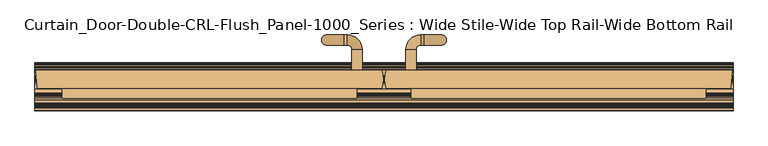
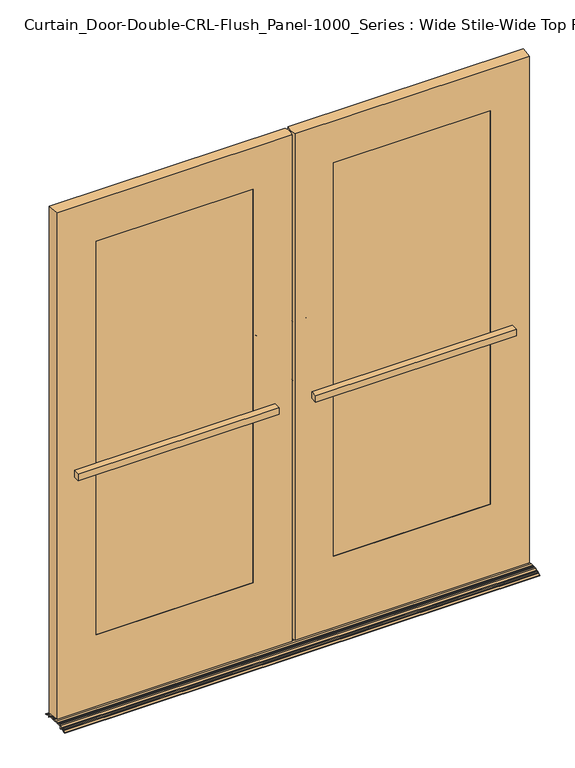
"""IFC4 building model written with IfcOpenShell, lengths in millimetres: door geometry, Curtain_Door-Double-CRL-Flush_Panel-1000_Series : Wide Stile-Wide Top Rail-Wide Bottom Rail."""

import ifcopenshell
import ifcopenshell.guid

model = None  # the IFC model being written
_history = None  # IfcOwnerHistory: only IFC2X3 demands one
_inside = {}  # id of a spatial element -> (the spatial element, [elements in it])
_under = {}  # id of a project, library or spatial element -> (it, [spatial elements below it])
_declared = {}  # id of a project -> (the project, [libraries it declares])
_typed = {}  # id of a type object -> (the type object, [elements of that type])
_made_of = {}  # id of a material, layer set ... -> (it, [elements and type objects made of it])


def new_model(schema):
    """Start an empty IFC model of exactly this schema.

    Asked for "IFC4X3", IfcOpenShell would pick the latest addendum, in which some entities
    have other attributes; the version numbers below select the first issue.
    IFC2X3 requires an IfcOwnerHistory on every rooted entity: one is made here for all.
    """
    global model, _history
    if schema == "IFC4X3":
        model = ifcopenshell.file(schema_version=(4, 3, 0, 0))
    else:
        model = ifcopenshell.file(schema=schema)
    _inside.clear()
    _under.clear()
    _declared.clear()
    _typed.clear()
    _made_of.clear()
    _history = None
    if model.schema == "IFC2X3":
        org = make("IfcOrganization", Name="unknown")
        user = make(
            "IfcPersonAndOrganization",
            ThePerson=make("IfcPerson", FamilyName="unknown"),
            TheOrganization=org,
        )
        app = make(
            "IfcApplication",
            ApplicationDeveloper=org,
            Version="unknown",
            ApplicationFullName="unknown",
            ApplicationIdentifier="unknown",
        )
        _history = make(
            "IfcOwnerHistory",
            OwningUser=user,
            OwningApplication=app,
            ChangeAction="ADDED",
            CreationDate=0,
        )
    return model


def make(cls, **values):
    """One entity of the class cls with the attributes given. An attribute that is None is left unset."""
    return model.create_entity(
        cls, **{name: value for name, value in values.items() if value is not None}
    )


def rooted(cls, **values):
    """An entity with a GlobalId (a new one), such as an element, a storey or a relation."""
    return make(cls, GlobalId=ifcopenshell.guid.new(), OwnerHistory=_history, **values)


def si_unit(unit_type, name, prefix=None):
    """IfcSIUnit, for example si_unit("LENGTHUNIT", "METRE", prefix="MILLI")."""
    return make("IfcSIUnit", UnitType=unit_type, Prefix=prefix, Name=name)


def assignment(units):
    """IfcUnitAssignment: the units of a project."""
    return None if units is None else make("IfcUnitAssignment", Units=units)


def point(xyz):
    """IfcCartesianPoint."""
    return None if xyz is None else make("IfcCartesianPoint", Coordinates=xyz)


def direction(xyz):
    """IfcDirection."""
    return None if xyz is None else make("IfcDirection", DirectionRatios=xyz)


def frame(location, z_axis=None, x_axis=None):
    """IfcAxis2Placement3D, a coordinate frame: its origin and axes. An axis left out is left unset."""
    return make(
        "IfcAxis2Placement3D",
        Location=point(location),
        Axis=direction(z_axis),
        RefDirection=direction(x_axis),
    )


def frame_2d(location, x_axis=None):
    """IfcAxis2Placement2D, a coordinate frame in the plane: its origin and x axis."""
    return make(
        "IfcAxis2Placement2D", Location=point(location), RefDirection=direction(x_axis)
    )


def origin():
    """The frame at (0, 0, 0) with its axes left unset."""
    return frame((0.0, 0.0, 0.0))


def place(relative_to, where):
    """IfcLocalPlacement: puts the frame where relative to a parent placement (None: the world)."""
    return make(
        "IfcLocalPlacement", PlacementRelTo=relative_to, RelativePlacement=where
    )


def context(
    kind, dimensions, precision=None, world=None, true_north=None, identifier=None
):
    """IfcGeometricRepresentationContext, for example the 3D "Model" context."""
    return make(
        "IfcGeometricRepresentationContext",
        ContextIdentifier=identifier,
        ContextType=kind,
        CoordinateSpaceDimension=dimensions,
        Precision=precision,
        WorldCoordinateSystem=world,
        TrueNorth=true_north,
    )


def project(units=None, contexts=None):
    """IfcProject with its units and contexts."""
    return rooted(
        "IfcProject",
        Name="project",
        RepresentationContexts=contexts,
        UnitsInContext=assignment(units),
    )


def spatial(cls, under=None, at=None, **own):
    """A site, building, storey or space (cls), placed at a placement, below another one or the project."""
    s = rooted(cls, ObjectPlacement=at, **own)
    if under is not None:
        _under.setdefault(under.id(), (under, []))[1].append(s)
    return s


def polyline(points):
    """IfcPolyline through the points."""
    return make("IfcPolyline", Points=[point(p) for p in points])


def circle_curve(where, radius):
    """IfcCircle in the frame where."""
    return make("IfcCircle", Position=where, Radius=radius)


def ellipse_curve(where, semi_axis1, semi_axis2):
    """IfcEllipse in the frame where."""
    return make(
        "IfcEllipse", Position=where, SemiAxis1=semi_axis1, SemiAxis2=semi_axis2
    )


def trimmed(basis, trim1, trim2, sense, master):
    """IfcTrimmedCurve: the piece of a basis curve between two trims."""
    return make(
        "IfcTrimmedCurve",
        BasisCurve=basis,
        Trim1=trim1,
        Trim2=trim2,
        SenseAgreement=sense,
        MasterRepresentation=master,
    )


def segment(curve, same_sense, transition):
    """IfcCompositeCurveSegment."""
    return make(
        "IfcCompositeCurveSegment",
        Transition=transition,
        SameSense=same_sense,
        ParentCurve=curve,
    )


def composite_curve(segments, self_intersect=None):
    """IfcCompositeCurve: segments joined end to end."""
    return make("IfcCompositeCurve", Segments=segments, SelfIntersect=self_intersect)


def outline(outer, holes=None, kind="AREA"):
    """IfcArbitraryClosedProfileDef: a profile drawn as a closed curve; with holes, ...WithVoids."""
    if holes is None:
        return make("IfcArbitraryClosedProfileDef", ProfileType=kind, OuterCurve=outer)
    return make(
        "IfcArbitraryProfileDefWithVoids",
        ProfileType=kind,
        OuterCurve=outer,
        InnerCurves=holes,
    )


def extrude(swept, where, along, depth):
    """IfcExtrudedAreaSolid: the profile swept, set in the frame where, extruded along a direction by depth."""
    return make(
        "IfcExtrudedAreaSolid",
        SweptArea=swept,
        Position=where,
        ExtrudedDirection=direction(along),
        Depth=depth,
    )


def shape(context_of_items, identifier, shape_type, items):
    """IfcShapeRepresentation: the items that make up one representation, for example the "Body"."""
    return make(
        "IfcShapeRepresentation",
        ContextOfItems=context_of_items,
        RepresentationIdentifier=identifier,
        RepresentationType=shape_type,
        Items=items,
    )


def source(mapping_origin, context_of_items, identifier, shape_type, items):
    """IfcRepresentationMap: a shape defined once, which mapped items show again and again."""
    return make(
        "IfcRepresentationMap",
        MappingOrigin=mapping_origin,
        MappedRepresentation=shape(context_of_items, identifier, shape_type, items),
    )


def transform(
    local_origin,
    x_axis=None,
    y_axis=None,
    z_axis=None,
    scale=None,
    scale2=None,
    scale3=None,
    uniform=True,
):
    """IfcCartesianTransformationOperator3D, or its non-uniform kind. x_axis, y_axis, z_axis: its Axis1, 2, 3."""
    if uniform:
        return make(
            "IfcCartesianTransformationOperator3D",
            Axis1=direction(x_axis),
            Axis2=direction(y_axis),
            LocalOrigin=point(local_origin),
            Scale=scale,
            Axis3=direction(z_axis),
        )
    return make(
        "IfcCartesianTransformationOperator3DnonUniform",
        Axis1=direction(x_axis),
        Axis2=direction(y_axis),
        LocalOrigin=point(local_origin),
        Scale=scale,
        Axis3=direction(z_axis),
        Scale2=scale2,
        Scale3=scale3,
    )


def mapped(mapping_source, mapping_target):
    """IfcMappedItem: shows the shape of a source again, moved by a transform."""
    return make(
        "IfcMappedItem", MappingSource=mapping_source, MappingTarget=mapping_target
    )


def made_of(thing, what):
    """Note that an element or type object is made of a material, layer set ...; save() writes the relation."""
    if what is not None:
        _made_of.setdefault(what.id(), (what, []))[1].append(thing)
    return thing


def element(
    cls,
    number,
    at=None,
    inside=None,
    cuts=None,
    type_object=None,
    material=None,
    context=None,
    identifier="Body",
    shape_type=None,
    held_by="IfcProductDefinitionShape",
    body=None,
    shapes=None,
    **own,
):
    """One element of the class cls, such as IfcWall. Its Tag is "e" and its number.

    at: its placement. inside: the storey or other place that contains it. cuts: it is an
    opening in that element (IfcRelVoidsElement). A single representation is given by context,
    identifier, shape_type and body (its items); several are given by shapes. held_by: the class
    of the entity that holds the representations. save() writes the other relations.
    """
    e = rooted(cls, Tag="e%d" % number, ObjectPlacement=at, **own)
    if body is not None:
        shapes = [shape(context, identifier, shape_type, body)]
    if shapes is not None:
        e.Representation = make(held_by, Representations=shapes)
    if inside is not None:
        _inside.setdefault(inside.id(), (inside, []))[1].append(e)
    if cuts is not None:
        rooted(
            "IfcRelVoidsElement", RelatingBuildingElement=cuts, RelatedOpeningElement=e
        )
    if type_object is not None:
        _typed.setdefault(type_object.id(), (type_object, []))[1].append(e)
    return made_of(e, material)


def aggregate(whole, parts):
    """IfcRelAggregates: a whole, such as a stair, and the parts it consists of."""
    return rooted("IfcRelAggregates", RelatingObject=whole, RelatedObjects=parts)


def save(model, path):
    """Write the relations noted so far, then the file.

    IfcRelAggregates (storeys below a building ...), IfcRelContainedInSpatialStructure (elements
    in a storey), IfcRelDefinesByType, IfcRelAssociatesMaterial and IfcRelDeclares: one each for
    every whole, place, type object, material and project.
    """
    for whole, parts in _under.values():
        aggregate(whole, parts)
    for where, things in _inside.values():
        rooted(
            "IfcRelContainedInSpatialStructure",
            RelatedElements=things,
            RelatingStructure=where,
        )
    for kind, things in _typed.values():
        rooted("IfcRelDefinesByType", RelatedObjects=things, RelatingType=kind)
    for what, things in _made_of.values():
        rooted("IfcRelAssociatesMaterial", RelatedObjects=things, RelatingMaterial=what)
    for by, libraries in _declared.values():
        rooted("IfcRelDeclares", RelatingContext=by, RelatedDefinitions=libraries)
    model.write(path)


def plane_surface(at):
    """IfcPlane: the flat surface through the origin of the frame at, square to its z axis."""
    return make("IfcPlane", Position=at)


def cylinder_surface(at, radius):
    """IfcCylindricalSurface: all points at the distance radius from the z axis of the frame at."""
    return make("IfcCylindricalSurface", Position=at, Radius=radius)


def revolved_surface(curve, axis_point, axis_direction):
    """IfcSurfaceOfRevolution: the curve turned about the line through axis_point along axis_direction."""
    return make(
        "IfcSurfaceOfRevolution",
        SweptCurve=make("IfcArbitraryOpenProfileDef", ProfileType="CURVE", Curve=curve),
        AxisPosition=make("IfcAxis1Placement", Location=point(axis_point), Axis=direction(axis_direction)),
    )


def advanced_brep(points, edges, surfaces, faces):
    """IfcAdvancedBrep: a solid bounded by faces that lie on surfaces and meet in shared edges.

    An edge is (start, end): straight between two places in points (the first is 0);
    or (start, end, curve); or (start, end, curve, False) where it runs against its curve.
    A face is (place in surfaces, loops), or (place, loops, False) where it looks against
    its surface's normal. A loop lists edges by number (the first is 1), with a minus sign
    where the edge is run from its end to its start. The first loop is the outer one.
    """
    corners = [point(p) for p in points]
    vertices = [make("IfcVertexPoint", VertexGeometry=c) for c in corners]
    made = []
    for start, end, *more in edges:
        made.append(
            make(
                "IfcEdgeCurve",
                EdgeStart=vertices[start],
                EdgeEnd=vertices[end],
                EdgeGeometry=more[0] if more else make("IfcPolyline", Points=[corners[start], corners[end]]),
                SameSense=more[1] if len(more) > 1 else True,
            )
        )
    hull = []
    for where, loops, *sense in faces:
        bounds = []
        for j, loop in enumerate(loops):
            ring = [make("IfcOrientedEdge", EdgeElement=made[abs(k) - 1], Orientation=k > 0) for k in loop]
            bounds.append(
                make(
                    "IfcFaceOuterBound" if j == 0 else "IfcFaceBound",
                    Bound=make("IfcEdgeLoop", EdgeList=ring),
                    Orientation=True,
                )
            )
        hull.append(make("IfcAdvancedFace", Bounds=bounds, FaceSurface=surfaces[where], SameSense=sense[0] if sense else True))
    return make("IfcAdvancedBrep", Outer=make("IfcClosedShell", CfsFaces=hull))


def curtain_door_double_crl_flush_panel_1000_series_wide_stile_d5079c85(model_context):
    return source(origin(), model_context, "Body", "SolidModel", [
        advanced_brep(
        [(-55.1657453, 57.15, 1181.1), (-80.5655047, 57.15, 1181.1), (-55.1657453, 57.15, 952.5), (-80.5655047, 57.15, 952.5), (-80.5655047, 109.4147494, 1181.1), (-55.1657453, 109.4147494, 1181.1), (-91.8009959, 120.6502407, 1181.1), (-91.8009959, 146.05, 1181.1), (-99.6157453, 120.6502407, 1181.1), (-99.6157453, 146.05, 1181.1), (-144.0657453, 120.6502407, 1136.65), (-144.0657453, 146.05, 1136.65), (-144.0657453, 120.6502407, 996.95), (-144.0657453, 146.05, 996.95), (-99.6157453, 120.6502407, 952.5), (-99.6157453, 146.05, 952.5), (-91.8009959, 120.6502407, 952.5), (-91.8009959, 146.05, 952.5), (-80.5655047, 109.4147494, 952.5), (-55.1657453, 109.4147494, 952.5)],
        [
            (0, 1, circle_curve(frame((-67.865625, 57.15, 1181.1), z_axis=(0.0, -1.0, 0.0), x_axis=(1.0, 0.0, 0.0)), 12.6998797)),
            (1, 0, circle_curve(frame((-67.865625, 57.15, 1181.1), z_axis=(0.0, -1.0, 0.0), x_axis=(1.0, 0.0, 0.0)), 12.6998797)),
            (2, 3, circle_curve(frame((-67.865625, 57.15, 952.5), z_axis=(0.0, -1.0, 0.0), x_axis=(1.0, 0.0, 0.0)), 12.6998797)),
            (3, 2, circle_curve(frame((-67.865625, 57.15, 952.5), z_axis=(0.0, -1.0, 0.0), x_axis=(1.0, 0.0, 0.0)), 12.6998797)),
            (1, 4),
            (4, 5, circle_curve(frame((-67.865625, 109.4147494, 1181.1), z_axis=(0.0, -1.0, 0.0), x_axis=(1.0, 0.0, 0.0)), 12.6998797)),
            (5, 0),
            (5, 4, circle_curve(frame((-67.865625, 109.4147494, 1181.1), z_axis=(0.0, -1.0, 0.0), x_axis=(1.0, 0.0, 0.0)), 12.6998797)),
            (6, 7, circle_curve(frame((-91.8009959, 133.3501203, 1181.1), z_axis=(1.0, 0.0, 0.0), x_axis=(0.0, 1.0, 0.0)), 12.6998797)),
            (7, 5, circle_curve(frame((-91.8009959, 109.4147494, 1181.1), z_axis=(0.0, 0.0, -1.0), x_axis=(1.0, 0.0, 0.0)), 36.6352506)),
            (4, 6, circle_curve(frame((-91.8009959, 109.4147494, 1181.1), z_axis=(0.0, 0.0, 1.0), x_axis=(1.0, 0.0, 0.0)), 11.2354913)),
            (7, 6, circle_curve(frame((-91.8009959, 133.3501203, 1181.1), z_axis=(1.0, 0.0, 0.0), x_axis=(0.0, 1.0, 0.0)), 12.6998797)),
            (6, 8),
            (8, 9, circle_curve(frame((-99.6157453, 133.3501203, 1181.1), z_axis=(1.0, 0.0, 0.0), x_axis=(0.0, 1.0, 0.0)), 12.6998797)),
            (9, 7),
            (9, 8, circle_curve(frame((-99.6157453, 133.3501203, 1181.1), z_axis=(1.0, 0.0, 0.0), x_axis=(0.0, 1.0, 0.0)), 12.6998797)),
            (10, 11, circle_curve(frame((-144.0657453, 133.3501203, 1136.65), z_axis=(0.0, 0.0, 1.0), x_axis=(0.0, 1.0, 0.0)), 12.6998797)),
            (11, 9, circle_curve(frame((-99.6157453, 146.05, 1136.65), z_axis=(0.0, 1.0, 0.0), x_axis=(0.0, 0.0, 1.0)), 44.45)),
            (8, 10, circle_curve(frame((-99.6157453, 120.6502407, 1136.65), z_axis=(0.0, -1.0, 0.0), x_axis=(0.0, 0.0, 1.0)), 44.45)),
            (11, 10, circle_curve(frame((-144.0657453, 133.3501203, 1136.65), z_axis=(0.0, 0.0, 1.0), x_axis=(0.0, 1.0, 0.0)), 12.6998797)),
            (10, 12),
            (12, 13, circle_curve(frame((-144.0657453, 133.3501203, 996.95), z_axis=(0.0, 0.0, 1.0), x_axis=(0.0, 1.0, 0.0)), 12.6998797)),
            (13, 11),
            (13, 12, circle_curve(frame((-144.0657453, 133.3501203, 996.95), z_axis=(0.0, 0.0, 1.0), x_axis=(0.0, 1.0, 0.0)), 12.6998797)),
            (14, 15, circle_curve(frame((-99.6157453, 133.3501203, 952.5), z_axis=(-1.0, 0.0, 0.0), x_axis=(0.0, 1.0, 0.0)), 12.6998797)),
            (15, 13, circle_curve(frame((-99.6157453, 146.05, 996.95), z_axis=(0.0, 1.0, 0.0), x_axis=(-1.0, 0.0, 0.0)), 44.45)),
            (12, 14, circle_curve(frame((-99.6157453, 120.6502407, 996.95), z_axis=(0.0, -1.0, 0.0), x_axis=(-1.0, 0.0, 0.0)), 44.45)),
            (15, 14, circle_curve(frame((-99.6157453, 133.3501203, 952.5), z_axis=(-1.0, 0.0, 0.0), x_axis=(0.0, 1.0, 0.0)), 12.6998797)),
            (14, 16),
            (16, 17, circle_curve(frame((-91.8009959, 133.3501203, 952.5), z_axis=(-1.0, 0.0, 0.0), x_axis=(0.0, 1.0, 0.0)), 12.6998797)),
            (17, 15),
            (17, 16, circle_curve(frame((-91.8009959, 133.3501203, 952.5), z_axis=(-1.0, 0.0, 0.0), x_axis=(0.0, 1.0, 0.0)), 12.6998797)),
            (18, 19, circle_curve(frame((-67.865625, 109.4147494, 952.5), z_axis=(0.0, 1.0, 0.0), x_axis=(1.0, 0.0, 0.0)), 12.6998797)),
            (19, 17, circle_curve(frame((-91.8009959, 109.4147494, 952.5), z_axis=(0.0, 0.0, 1.0), x_axis=(0.0, 1.0, 0.0)), 36.6352506)),
            (16, 18, circle_curve(frame((-91.8009959, 109.4147494, 952.5), z_axis=(0.0, 0.0, -1.0), x_axis=(0.0, 1.0, 0.0)), 11.2354913)),
            (19, 18, circle_curve(frame((-67.865625, 109.4147494, 952.5), z_axis=(0.0, 1.0, 0.0), x_axis=(1.0, 0.0, 0.0)), 12.6998797)),
            (18, 3),
            (2, 19),
        ],
        [
            plane_surface(frame((-55.1657453, 57.15, 1181.1), z_axis=(0.0, -1.0, 0.0), x_axis=(0.0, 0.0, 1.0))),
            plane_surface(frame((-55.1657453, 57.15, 952.5), z_axis=(0.0, -1.0, 0.0), x_axis=(0.0, 0.0, -1.0))),
            cylinder_surface(frame((-67.865625, 57.15, 1181.1), z_axis=(0.0, -1.0, 0.0), x_axis=(1.0, 0.0, 0.0)), 12.6998797),
            revolved_surface(trimmed(ellipse_curve(frame((-67.865625, 109.4147494, 1181.1), z_axis=(0.0, 1.0, 0.0), x_axis=(1.0, 0.0, 0.0)), 12.6998797, 12.6998797), [point((-55.1657453, 109.4147494, 1181.1))], [point((-80.5655047, 109.4147494, 1181.1))], True, "CARTESIAN"), (-91.8009959, 109.4147494, 1181.1), (0.0, 0.0, -1.0)),
            revolved_surface(trimmed(ellipse_curve(frame((-67.865625, 109.4147494, 1181.1), z_axis=(0.0, 1.0, 0.0), x_axis=(1.0, 0.0, 0.0)), 12.6998797, 12.6998797), [point((-80.5655047, 109.4147494, 1181.1))], [point((-55.1657453, 109.4147494, 1181.1))], True, "CARTESIAN"), (-91.8009959, 109.4147494, 1181.1), (0.0, 0.0, -1.0)),
            cylinder_surface(frame((-91.8009959, 133.3501203, 1181.1), z_axis=(1.0, 0.0, 0.0), x_axis=(0.0, 1.0, 0.0)), 12.6998797),
            revolved_surface(trimmed(ellipse_curve(frame((-99.6157453, 133.3501203, 1181.1), z_axis=(-1.0, 0.0, 0.0), x_axis=(0.0, 1.0, 0.0)), 12.6998797, 12.6998797), [point((-99.6157453, 146.05, 1181.1))], [point((-99.6157453, 120.6502407, 1181.1))], True, "CARTESIAN"), (-99.6157453, 133.35, 1136.65), (0.0, 1.0, 0.0)),
            revolved_surface(trimmed(ellipse_curve(frame((-99.6157453, 133.3501203, 1181.1), z_axis=(-1.0, 0.0, 0.0), x_axis=(0.0, 1.0, 0.0)), 12.6998797, 12.6998797), [point((-99.6157453, 120.6502407, 1181.1))], [point((-99.6157453, 146.05, 1181.1))], True, "CARTESIAN"), (-99.6157453, 133.35, 1136.65), (0.0, 1.0, 0.0)),
            cylinder_surface(frame((-144.0657453, 133.3501203, 1136.65), z_axis=(0.0, 0.0, 1.0), x_axis=(0.0, 1.0, 0.0)), 12.6998797),
            revolved_surface(trimmed(ellipse_curve(frame((-144.0657453, 133.3501203, 996.95), z_axis=(0.0, 0.0, -1.0), x_axis=(0.0, 1.0, 0.0)), 12.6998797, 12.6998797), [point((-144.0657453, 146.05, 996.95))], [point((-144.0657453, 120.6502407, 996.95))], True, "CARTESIAN"), (-99.6157453, 133.35, 996.95), (0.0, 1.0, 0.0)),
            revolved_surface(trimmed(ellipse_curve(frame((-144.0657453, 133.3501203, 996.95), z_axis=(0.0, 0.0, -1.0), x_axis=(0.0, 1.0, 0.0)), 12.6998797, 12.6998797), [point((-144.0657453, 120.6502407, 996.95))], [point((-144.0657453, 146.05, 996.95))], True, "CARTESIAN"), (-99.6157453, 133.35, 996.95), (0.0, 1.0, 0.0)),
            cylinder_surface(frame((-99.6157453, 133.3501203, 952.5), z_axis=(-1.0, 0.0, 0.0), x_axis=(0.0, 1.0, 0.0)), 12.6998797),
            revolved_surface(trimmed(ellipse_curve(frame((-91.8009959, 133.3501203, 952.5), z_axis=(1.0, 0.0, 0.0), x_axis=(0.0, 1.0, 0.0)), 12.6998797, 12.6998797), [point((-91.8009959, 146.05, 952.5))], [point((-91.8009959, 120.6502407, 952.5))], True, "CARTESIAN"), (-91.8009959, 109.4147494, 952.5), (0.0, 0.0, 1.0)),
            revolved_surface(trimmed(ellipse_curve(frame((-91.8009959, 133.3501203, 952.5), z_axis=(1.0, 0.0, 0.0), x_axis=(0.0, 1.0, 0.0)), 12.6998797, 12.6998797), [point((-91.8009959, 120.6502407, 952.5))], [point((-91.8009959, 146.05, 952.5))], True, "CARTESIAN"), (-91.8009959, 109.4147494, 952.5), (0.0, 0.0, 1.0)),
            cylinder_surface(frame((-67.865625, 109.4147494, 952.5), z_axis=(0.0, 1.0, 0.0), x_axis=(1.0, 0.0, 0.0)), 12.6998797),
        ],
        [
            (0, [[1, 2]]),
            (1, [[3, 4]]),
            (2, [[5, 6, 7, -2]]),
            (2, [[-7, 8, -5, -1]]),
            (3, [[9, 10, -6, 11]]),
            (4, [[12, -11, -8, -10]]),
            (5, [[13, 14, 15, -9]]),
            (5, [[-15, 16, -13, -12]]),
            (6, [[17, 18, -14, 19]]),
            (7, [[20, -19, -16, -18]]),
            (8, [[21, 22, 23, -17]]),
            (8, [[-23, 24, -21, -20]]),
            (9, [[25, 26, -22, 27]]),
            (10, [[28, -27, -24, -26]]),
            (11, [[29, 30, 31, -25]]),
            (11, [[-31, 32, -29, -28]]),
            (12, [[33, 34, -30, 35]]),
            (13, [[36, -35, -32, -34]]),
            (14, [[37, -3, 38, -33]]),
            (14, [[-38, -4, -37, -36]]),
        ],
    ),
        advanced_brep(
        [(55.1657453, 57.15, 1181.1), (80.5655047, 57.15, 1181.1), (55.1657453, 57.15, 952.5), (80.5655047, 57.15, 952.5), (55.1657453, 109.4147494, 1181.1), (80.5655047, 109.4147494, 1181.1), (91.8009959, 120.6502407, 1181.1), (91.8009959, 146.05, 1181.1), (99.6157453, 146.05, 1181.1), (99.6157453, 120.6502407, 1181.1), (144.0657453, 120.6502407, 1136.65), (144.0657453, 146.05, 1136.65), (144.0657453, 146.05, 996.95), (144.0657453, 120.6502407, 996.95), (99.6157453, 120.6502407, 952.5), (99.6157453, 146.05, 952.5), (91.8009959, 146.05, 952.5), (91.8009959, 120.6502407, 952.5), (80.5655047, 109.4147494, 952.5), (55.1657453, 109.4147494, 952.5)],
        [
            (0, 1, circle_curve(frame((67.865625, 57.15, 1181.1), z_axis=(0.0, -1.0, 0.0), x_axis=(-1.0, 0.0, 0.0)), 12.6998797)),
            (1, 0, circle_curve(frame((67.865625, 57.15, 1181.1), z_axis=(0.0, -1.0, 0.0), x_axis=(-1.0, 0.0, 0.0)), 12.6998797)),
            (2, 3, circle_curve(frame((67.865625, 57.15, 952.5), z_axis=(0.0, -1.0, 0.0), x_axis=(-1.0, 0.0, 0.0)), 12.6998797)),
            (3, 2, circle_curve(frame((67.865625, 57.15, 952.5), z_axis=(0.0, -1.0, 0.0), x_axis=(-1.0, 0.0, 0.0)), 12.6998797)),
            (0, 4),
            (4, 5, circle_curve(frame((67.865625, 109.4147494, 1181.1), z_axis=(0.0, -1.0, 0.0), x_axis=(-1.0, 0.0, 0.0)), 12.6998797)),
            (5, 1),
            (5, 4, circle_curve(frame((67.865625, 109.4147494, 1181.1), z_axis=(0.0, -1.0, 0.0), x_axis=(-1.0, 0.0, 0.0)), 12.6998797)),
            (6, 5, circle_curve(frame((91.8009959, 109.4147494, 1181.1), z_axis=(0.0, 0.0, 1.0), x_axis=(-1.0, 0.0, 0.0)), 11.2354913)),
            (4, 7, circle_curve(frame((91.8009959, 109.4147494, 1181.1), z_axis=(0.0, 0.0, -1.0), x_axis=(-1.0, 0.0, 0.0)), 36.6352506)),
            (7, 6, circle_curve(frame((91.8009959, 133.3501203, 1181.1), z_axis=(-1.0, 0.0, 0.0), x_axis=(0.0, 1.0, 0.0)), 12.6998797)),
            (6, 7, circle_curve(frame((91.8009959, 133.3501203, 1181.1), z_axis=(-1.0, 0.0, 0.0), x_axis=(0.0, 1.0, 0.0)), 12.6998797)),
            (7, 8),
            (8, 9, circle_curve(frame((99.6157453, 133.3501203, 1181.1), z_axis=(-1.0, 0.0, 0.0), x_axis=(0.0, 1.0, 0.0)), 12.6998797)),
            (9, 6),
            (9, 8, circle_curve(frame((99.6157453, 133.3501203, 1181.1), z_axis=(-1.0, 0.0, 0.0), x_axis=(0.0, 1.0, 0.0)), 12.6998797)),
            (10, 9, circle_curve(frame((99.6157453, 120.6502407, 1136.65), z_axis=(0.0, -1.0, 0.0), x_axis=(0.0, 0.0, 1.0)), 44.45)),
            (8, 11, circle_curve(frame((99.6157453, 146.05, 1136.65), z_axis=(0.0, 1.0, 0.0), x_axis=(0.0, 0.0, 1.0)), 44.45)),
            (11, 10, circle_curve(frame((144.0657453, 133.3501203, 1136.65), z_axis=(0.0, 0.0, 1.0), x_axis=(0.0, 1.0, 0.0)), 12.6998797)),
            (10, 11, circle_curve(frame((144.0657453, 133.3501203, 1136.65), z_axis=(0.0, 0.0, 1.0), x_axis=(0.0, 1.0, 0.0)), 12.6998797)),
            (11, 12),
            (12, 13, circle_curve(frame((144.0657453, 133.3501203, 996.95), z_axis=(0.0, 0.0, 1.0), x_axis=(0.0, 1.0, 0.0)), 12.6998797)),
            (13, 10),
            (13, 12, circle_curve(frame((144.0657453, 133.3501203, 996.95), z_axis=(0.0, 0.0, 1.0), x_axis=(0.0, 1.0, 0.0)), 12.6998797)),
            (14, 13, circle_curve(frame((99.6157453, 120.6502407, 996.95), z_axis=(0.0, -1.0, 0.0), x_axis=(1.0, 0.0, 0.0)), 44.45)),
            (12, 15, circle_curve(frame((99.6157453, 146.05, 996.95), z_axis=(0.0, 1.0, 0.0), x_axis=(1.0, 0.0, 0.0)), 44.45)),
            (15, 14, circle_curve(frame((99.6157453, 133.3501203, 952.5), z_axis=(1.0, 0.0, 0.0), x_axis=(0.0, 1.0, 0.0)), 12.6998797)),
            (14, 15, circle_curve(frame((99.6157453, 133.3501203, 952.5), z_axis=(1.0, 0.0, 0.0), x_axis=(0.0, 1.0, 0.0)), 12.6998797)),
            (15, 16),
            (16, 17, circle_curve(frame((91.8009959, 133.3501203, 952.5), z_axis=(1.0, 0.0, 0.0), x_axis=(0.0, 1.0, 0.0)), 12.6998797)),
            (17, 14),
            (17, 16, circle_curve(frame((91.8009959, 133.3501203, 952.5), z_axis=(1.0, 0.0, 0.0), x_axis=(0.0, 1.0, 0.0)), 12.6998797)),
            (18, 17, circle_curve(frame((91.8009959, 109.4147494, 952.5), z_axis=(0.0, 0.0, -1.0), x_axis=(0.0, 1.0, 0.0)), 11.2354913)),
            (16, 19, circle_curve(frame((91.8009959, 109.4147494, 952.5), z_axis=(0.0, 0.0, 1.0), x_axis=(0.0, 1.0, 0.0)), 36.6352506)),
            (19, 18, circle_curve(frame((67.865625, 109.4147494, 952.5), z_axis=(0.0, 1.0, 0.0), x_axis=(-1.0, 0.0, 0.0)), 12.6998797)),
            (18, 19, circle_curve(frame((67.865625, 109.4147494, 952.5), z_axis=(0.0, 1.0, 0.0), x_axis=(-1.0, 0.0, 0.0)), 12.6998797)),
            (19, 2),
            (3, 18),
        ],
        [
            plane_surface(frame((55.1657453, 57.15, 1181.1), z_axis=(0.0, -1.0, 0.0), x_axis=(0.0, 0.0, 1.0))),
            plane_surface(frame((55.1657453, 57.15, 952.5), z_axis=(0.0, -1.0, 0.0), x_axis=(0.0, 0.0, -1.0))),
            cylinder_surface(frame((67.865625, 57.15, 1181.1), z_axis=(0.0, -1.0, 0.0), x_axis=(-1.0, 0.0, 0.0)), 12.6998797),
            revolved_surface(trimmed(ellipse_curve(frame((67.865625, 109.4147494, 1181.1), z_axis=(0.0, -1.0, 0.0), x_axis=(-1.0, 0.0, 0.0)), 12.6998797, 12.6998797), [point((55.1657453, 109.4147494, 1181.1))], [point((80.5655047, 109.4147494, 1181.1))], True, "CARTESIAN"), (91.8009959, 109.4147494, 1181.1), (0.0, 0.0, -1.0)),
            revolved_surface(trimmed(ellipse_curve(frame((67.865625, 109.4147494, 1181.1), z_axis=(0.0, -1.0, 0.0), x_axis=(-1.0, 0.0, 0.0)), 12.6998797, 12.6998797), [point((80.5655047, 109.4147494, 1181.1))], [point((55.1657453, 109.4147494, 1181.1))], True, "CARTESIAN"), (91.8009959, 109.4147494, 1181.1), (0.0, 0.0, -1.0)),
            cylinder_surface(frame((91.8009959, 133.3501203, 1181.1), z_axis=(-1.0, 0.0, 0.0), x_axis=(0.0, 1.0, 0.0)), 12.6998797),
            revolved_surface(trimmed(ellipse_curve(frame((99.6157453, 133.3501203, 1181.1), z_axis=(-1.0, 0.0, 0.0), x_axis=(0.0, 1.0, 0.0)), 12.6998797, 12.6998797), [point((99.6157453, 146.05, 1181.1))], [point((99.6157453, 120.6502407, 1181.1))], True, "CARTESIAN"), (99.6157453, 133.35, 1136.65), (0.0, 1.0, 0.0)),
            revolved_surface(trimmed(ellipse_curve(frame((99.6157453, 133.3501203, 1181.1), z_axis=(-1.0, 0.0, 0.0), x_axis=(0.0, 1.0, 0.0)), 12.6998797, 12.6998797), [point((99.6157453, 120.6502407, 1181.1))], [point((99.6157453, 146.05, 1181.1))], True, "CARTESIAN"), (99.6157453, 133.35, 1136.65), (0.0, 1.0, 0.0)),
            cylinder_surface(frame((144.0657453, 133.3501203, 1136.65), z_axis=(0.0, 0.0, 1.0), x_axis=(0.0, 1.0, 0.0)), 12.6998797),
            revolved_surface(trimmed(ellipse_curve(frame((144.0657453, 133.3501203, 996.95), z_axis=(0.0, 0.0, 1.0), x_axis=(0.0, 1.0, 0.0)), 12.6998797, 12.6998797), [point((144.0657453, 146.05, 996.95))], [point((144.0657453, 120.6502407, 996.95))], True, "CARTESIAN"), (99.6157453, 133.35, 996.95), (0.0, 1.0, 0.0)),
            revolved_surface(trimmed(ellipse_curve(frame((144.0657453, 133.3501203, 996.95), z_axis=(0.0, 0.0, 1.0), x_axis=(0.0, 1.0, 0.0)), 12.6998797, 12.6998797), [point((144.0657453, 120.6502407, 996.95))], [point((144.0657453, 146.05, 996.95))], True, "CARTESIAN"), (99.6157453, 133.35, 996.95), (0.0, 1.0, 0.0)),
            cylinder_surface(frame((99.6157453, 133.3501203, 952.5), z_axis=(1.0, 0.0, 0.0), x_axis=(0.0, 1.0, 0.0)), 12.6998797),
            revolved_surface(trimmed(ellipse_curve(frame((91.8009959, 133.3501203, 952.5), z_axis=(1.0, 0.0, 0.0), x_axis=(0.0, 1.0, 0.0)), 12.6998797, 12.6998797), [point((91.8009959, 146.05, 952.5))], [point((91.8009959, 120.6502407, 952.5))], True, "CARTESIAN"), (91.8009959, 109.4147494, 952.5), (0.0, 0.0, 1.0)),
            revolved_surface(trimmed(ellipse_curve(frame((91.8009959, 133.3501203, 952.5), z_axis=(1.0, 0.0, 0.0), x_axis=(0.0, 1.0, 0.0)), 12.6998797, 12.6998797), [point((91.8009959, 120.6502407, 952.5))], [point((91.8009959, 146.05, 952.5))], True, "CARTESIAN"), (91.8009959, 109.4147494, 952.5), (0.0, 0.0, 1.0)),
            cylinder_surface(frame((67.865625, 109.4147494, 952.5), z_axis=(0.0, 1.0, 0.0), x_axis=(-1.0, 0.0, 0.0)), 12.6998797),
        ],
        [
            (0, [[1, 2]]),
            (1, [[3, 4]]),
            (2, [[-1, 5, 6, 7]]),
            (2, [[-2, -7, 8, -5]]),
            (3, [[9, -6, 10, 11]]),
            (4, [[-10, -8, -9, 12]]),
            (5, [[-11, 13, 14, 15]]),
            (5, [[-12, -15, 16, -13]]),
            (6, [[17, -14, 18, 19]]),
            (7, [[-18, -16, -17, 20]]),
            (8, [[-19, 21, 22, 23]]),
            (8, [[-20, -23, 24, -21]]),
            (9, [[25, -22, 26, 27]]),
            (10, [[-26, -24, -25, 28]]),
            (11, [[-27, 29, 30, 31]]),
            (11, [[-28, -31, 32, -29]]),
            (12, [[33, -30, 34, 35]]),
            (13, [[-34, -32, -33, 36]]),
            (14, [[-35, 37, -4, 38]]),
            (14, [[-36, -38, -3, -37]]),
        ],
    ),
        extrude(outline(polyline([(-138.90625, 54.76875), (-138.90625, 15.08125), (-736.6, 15.08125), (-736.6, 54.76875), (-138.90625, 54.76875)])), frame((0.0, 0.0, 285.75), z_axis=(0.0, 0.0, 1.0), x_axis=(1.0, 0.0, 0.0)), (0.0, 0.0, 1.0), 1552.7654753),
        extrude(outline(polyline([(138.90625, 54.76875), (736.6, 54.76875), (736.6, 15.08125), (138.90625, 15.08125), (138.90625, 54.76875)])), frame((0.0, 0.0, 285.75), z_axis=(0.0, 0.0, 1.0), x_axis=(1.0, 0.0, 0.0)), (0.0, 0.0, 1.0), 1552.7654753),
        extrude(outline(polyline([(67.865625, -12.7), (67.865625, 12.7), (808.0375, 12.7), (808.0375, -12.7), (67.865625, -12.7)])), frame((0.0, 0.0, 939.8), z_axis=(0.0, 0.0, 1.0), x_axis=(1.0, 0.0, 0.0)), (0.0, 0.0, 1.0), 25.3998797),
        extrude(outline(composite_curve([segment(polyline([(-39.5213117, 0.6592104), (-44.4499985, -0.0384612), (-44.4499985, 1.0536177)]), True, "CONTINUOUS"), segment(trimmed(circle_curve(frame_2d((-43.6625974, 1.0536177)), 0.787401), [point((-44.4499985, 1.0536177))], [point((-43.9702589, 1.7784244))], False, "CARTESIAN"), True, "CONTINUOUS"), segment(polyline([(-43.9702589, 1.7784244), (-37.155128, 4.6712688), (-36.1226981, 4.2541355), (-33.1767138, 5.5046286), (-32.7595737, 6.5370784), (-29.6732932, 7.8471282), (-28.6408209, 7.4299778), (-25.6948634, 8.6804626), (-25.2777216, 9.7129136), (-18.2405951, 12.7), (-12.6999802, 12.7), (-11.9125768, 11.9125965), (-8.7121694, 11.9125965), (-7.9247659, 12.7), (-4.5719346, 12.7), (-3.7845311, 11.9125965), (-0.5841494, 11.9125965), (0.2032541, 12.7), (9.4995413, 12.7), (9.4995413, 11.1252051), (23.418743, 11.1252051), (24.2061344, 10.3378138), (27.406546, 10.3378138), (28.1939495, 11.1252172), (31.5467423, 11.1252172), (32.3341337, 10.3378259), (35.5345438, 10.3378259), (36.3219473, 11.1252294), (39.6747415, 11.1252294), (40.4621329, 10.337838), (43.6625416, 10.337838), (44.4499572, 11.1252536), (57.1498396, 11.1252536), (59.4855282, 10.05395), (59.8729776, 9.0099349), (62.7819404, 7.6756893), (63.8259556, 8.0631387), (66.873514, 6.6653239), (67.2609515, 5.6213409), (70.1699434, 4.2870819), (71.2139266, 4.6745194), (74.3543372, 3.2341163)]), True, "CONTINUOUS"), segment(trimmed(circle_curve(frame_2d((73.0504103, 0.3671045)), 3.1496003), [point((74.3543372, 3.2341163))], [point((76.1788923, 0.0029861))], False, "CARTESIAN"), True, "CONTINUOUS"), segment(polyline([(76.1788923, 0.0029861), (71.2713037, 0.6976712), (71.2713037, 1.6022642), (65.3960181, 4.2970645), (65.0085926, 5.3410154), (64.0388782, 5.7857915), (62.9949272, 5.3983659), (59.2327944, 7.1239325), (59.2327944, 0.0), (57.6579874, 0.0), (57.6579874, 7.8462447), (56.5451634, 8.3566605), (45.5967545, 8.3566605), (44.8093268, 7.5692327), (39.3153392, 7.5692327), (38.5279357, 8.3566362), (37.4687446, 8.3566362), (36.6813411, 7.5692327), (31.1873278, 7.5692327), (30.3999485, 8.3566362), (29.3407347, 8.3566362), (28.5533312, 7.5692085), (23.0593406, 7.5692085), (22.2719493, 8.3566362), (6.7309482, 8.3566362), (6.7309482, 9.9313948), (1.3500478, 9.9313948), (0.5626443, 9.1439913), (-4.9275566, 9.1439913), (-5.714948, 9.9313827), (-6.7817611, 9.9313827), (-7.5691524, 9.1439913), (-13.0593363, 9.1439913), (-13.8467398, 9.9313948), (-16.6658069, 9.9313948), (-16.6658069, 0.0), (-18.2406017, 0.0), (-18.2406017, 9.6923002), (-23.1403142, 7.6124932), (-23.5574595, 6.5800337), (-28.6146756, 4.4333727), (-29.6471418, 4.8505197), (-30.6221795, 4.4366418), (-31.0393178, 3.4041994), (-36.0965685, 1.2575237), (-37.1290348, 1.6746717), (-39.5213117, 0.6592104)]), True, "CONTINUOUS")], self_intersect=False)), frame((-876.3, 0.0, 0.0), z_axis=(1.0, 0.0, 0.0), x_axis=(0.0, 1.0, 0.0)), (0.0, 0.0, 1.0), 1752.6),
        extrude(outline(polyline([(-808.0375, -12.7), (-808.0375, 12.7), (-67.865625, 12.7), (-67.865625, -12.7), (-808.0375, -12.7)])), frame((0.0, 0.0, 939.8), z_axis=(0.0, 0.0, 1.0), x_axis=(1.0, 0.0, 0.0)), (0.0, 0.0, 1.0), 25.3998797),
        advanced_brep(
        [(5.8322237, 57.15, 1990.9154753), (5.8322237, 12.7, 1990.9154753), (870.3373512, 12.7, 1990.9154753), (873.91875, 57.15, 1990.9154753), (5.8322237, 12.7, 17.4625), (5.8322237, 57.15, 17.4625), (873.91875, 57.15, 17.4625), (870.3373512, 12.7, 17.4625), (727.075, 12.7, 1828.9904753), (727.075, 12.7, 295.275), (148.43125, 12.7, 295.275), (148.43125, 12.7, 1828.9904753), (135.73125, 15.08125, 282.575), (135.73125, 54.76875, 282.575), (135.73125, 54.76875, 1841.6904753), (135.73125, 15.08125, 1841.6904753), (148.43125, 57.15, 1828.9904753), (148.43125, 57.15, 295.275), (727.075, 57.15, 295.275), (727.075, 57.15, 1828.9904753), (739.775, 54.76875, 282.575), (739.775, 15.08125, 282.575), (739.775, 15.08125, 1841.6904753), (739.775, 54.76875, 1841.6904753), (148.43125, 15.08125, 295.275), (148.43125, 15.08125, 1828.9904753), (727.075, 15.08125, 295.275), (727.075, 15.08125, 1828.9904753), (148.43125, 54.76875, 295.275), (148.43125, 54.76875, 1828.9904753), (727.075, 54.76875, 1828.9904753), (727.075, 54.76875, 295.275)],
        [
            (0, 1, circle_curve(frame((66.8472915, 34.925, 1990.9154753), z_axis=(0.0, 0.0, 1.0), x_axis=(1.0, 0.0, 0.0)), 64.9368087)),
            (1, 2),
            (2, 3),
            (3, 0),
            (4, 5, circle_curve(frame((66.8472915, 34.925, 17.4625), z_axis=(0.0, 0.0, -1.0), x_axis=(1.0, 0.0, 0.0)), 64.9368087)),
            (5, 6),
            (6, 7),
            (7, 4),
            (0, 5),
            (4, 1),
            (7, 2),
            (8, 9),
            (9, 10),
            (10, 11),
            (11, 8),
            (12, 13),
            (13, 14),
            (14, 15),
            (15, 12),
            (3, 6),
            (16, 17),
            (17, 18),
            (18, 19),
            (19, 16),
            (20, 21),
            (21, 22),
            (22, 23),
            (23, 20),
            (12, 21),
            (20, 13),
            (14, 23),
            (22, 15),
            (10, 24),
            (24, 25),
            (25, 11),
            (24, 26),
            (26, 27),
            (27, 25),
            (28, 29),
            (29, 30),
            (30, 31),
            (31, 28),
            (16, 29),
            (28, 17),
            (18, 31),
            (30, 19),
            (8, 27),
            (26, 9),
        ],
        [
            plane_surface(frame((131.7841002, 34.925, 1990.9154753), z_axis=(0.0, 0.0, 1.0), x_axis=(0.0, 1.0, 0.0))),
            plane_surface(frame((131.7841002, 34.925, 17.4625), z_axis=(0.0, 0.0, -1.0), x_axis=(0.0, -1.0, 0.0))),
            cylinder_surface(frame((66.8472915, 34.925, 17.4625), z_axis=(0.0, 0.0, 1.0), x_axis=(1.0, 0.0, 0.0)), 64.9368087),
            plane_surface(frame((5.8322237, 12.7, 1990.9154753), z_axis=(0.0, -1.0, 0.0), x_axis=(0.0, 0.0, -1.0))),
            plane_surface(frame((135.73125, 15.08125, 1990.9154753), z_axis=(1.0, 0.0, 0.0), x_axis=(0.0, 0.0, -1.0))),
            plane_surface(frame((148.43125, 57.15, 1990.9154753), z_axis=(0.0, 1.0, 0.0), x_axis=(0.0, 0.0, -1.0))),
            plane_surface(frame((739.775, 54.76875, 1990.9154753), z_axis=(-1.0, 0.0, 0.0), x_axis=(0.0, 0.0, -1.0))),
            plane_surface(frame((870.3373512, 12.7, 1990.9154753), z_axis=(0.9967698431043983, -0.08031114416837304, 0.0), x_axis=(0.0, 0.0, -1.0))),
            plane_surface(frame((739.775, 54.76875, 282.575), z_axis=(0.0, 0.0, 1.0), x_axis=(-1.0, 0.0, 0.0))),
            plane_surface(frame((739.775, 15.08125, 1841.6904753), z_axis=(0.0, 0.0, -1.0), x_axis=(-1.0, 0.0, 0.0))),
            plane_surface(frame((148.43125, 12.7, 1990.9154753), z_axis=(1.0, 0.0, 0.0), x_axis=(0.0, 0.0, -1.0))),
            plane_surface(frame((148.43125, 15.08125, 1990.9154753), z_axis=(0.0, 1.0, 0.0), x_axis=(0.0, 0.0, -1.0))),
            plane_surface(frame((135.73125, 54.76875, 1990.9154753), z_axis=(0.0, -1.0, 0.0), x_axis=(0.0, 0.0, -1.0))),
            plane_surface(frame((148.43125, 54.76875, 1990.9154753), z_axis=(1.0, 0.0, 0.0), x_axis=(0.0, 0.0, -1.0))),
            plane_surface(frame((727.075, 57.15, 1990.9154753), z_axis=(-1.0, 0.0, 0.0), x_axis=(0.0, 0.0, -1.0))),
            plane_surface(frame((727.075, 15.08125, 1990.9154753), z_axis=(-1.0, 0.0, 0.0), x_axis=(0.0, 0.0, -1.0))),
            plane_surface(frame((739.775, 57.15, 295.275), z_axis=(0.0, -1.7053025658198905e-12, 1.0), x_axis=(-1.0, 0.0, 0.0))),
            plane_surface(frame((739.775, 15.08125, 295.275), z_axis=(0.0, 0.0, 1.0), x_axis=(-1.0, 0.0, 0.0))),
            plane_surface(frame((739.775, 54.76875, 1828.9904753), z_axis=(0.0, 0.0, -1.0), x_axis=(-1.0, 0.0, 0.0))),
            plane_surface(frame((739.775, 12.7, 1828.9904753), z_axis=(0.0, 0.0, -1.0), x_axis=(-1.0, 0.0, 0.0))),
        ],
        [
            (0, [[1, 2, 3, 4]]),
            (1, [[5, 6, 7, 8]]),
            (2, [[-1, 9, -5, 10]]),
            (3, [[-10, -8, 11, -2], [12, 13, 14, 15]]),
            (4, [[16, 17, 18, 19]]),
            (5, [[-9, -4, 20, -6], [21, 22, 23, 24]]),
            (6, [[25, 26, 27, 28]]),
            (7, [[-3, -11, -7, -20]]),
            (8, [[-16, 29, -25, 30]]),
            (9, [[-18, 31, -27, 32]]),
            (10, [[-14, 33, 34, 35]]),
            (11, [[-19, -32, -26, -29], [-34, 36, 37, 38]]),
            (12, [[-17, -30, -28, -31], [39, 40, 41, 42]]),
            (13, [[-21, 43, -39, 44]]),
            (14, [[-23, 45, -41, 46]]),
            (15, [[-12, 47, -37, 48]]),
            (16, [[-22, -44, -42, -45]]),
            (17, [[-13, -48, -36, -33]]),
            (18, [[-24, -46, -40, -43]]),
            (19, [[-15, -35, -38, -47]]),
        ],
    ),
        advanced_brep(
        [(-873.91875, 57.15, 1990.9154753), (-870.3373512, 12.7, 1990.9154753), (-5.8322237, 12.7, 1990.9154753), (-5.8322237, 57.15, 1990.9154753), (-870.3373512, 12.7, 17.4625), (-873.91875, 57.15, 17.4625), (-5.8322237, 57.15, 17.4625), (-5.8322237, 12.7, 17.4625), (-727.075, 12.7, 1828.9904753), (-148.43125, 12.7, 1828.9904753), (-148.43125, 12.7, 295.275), (-727.075, 12.7, 295.275), (-739.775, 15.08125, 1841.6904753), (-739.775, 15.08125, 282.575), (-739.775, 54.76875, 282.575), (-739.775, 54.76875, 1841.6904753), (-727.075, 57.15, 295.275), (-148.43125, 57.15, 295.275), (-148.43125, 57.15, 1828.9904753), (-727.075, 57.15, 1828.9904753), (-135.73125, 54.76875, 1841.6904753), (-135.73125, 54.76875, 282.575), (-135.73125, 15.08125, 282.575), (-135.73125, 15.08125, 1841.6904753), (-727.075, 15.08125, 295.275), (-727.075, 15.08125, 1828.9904753), (-148.43125, 15.08125, 295.275), (-148.43125, 15.08125, 1828.9904753), (-727.075, 54.76875, 1828.9904753), (-148.43125, 54.76875, 1828.9904753), (-148.43125, 54.76875, 295.275), (-727.075, 54.76875, 295.275)],
        [
            (0, 1),
            (1, 2),
            (2, 3, circle_curve(frame((-66.8472915, 34.925, 1990.9154753), z_axis=(0.0, 0.0, 1.0), x_axis=(1.0, 0.0, 0.0)), 64.9368087)),
            (3, 0),
            (4, 5),
            (5, 6),
            (6, 7, circle_curve(frame((-66.8472915, 34.925, 17.4625), z_axis=(0.0, 0.0, -1.0), x_axis=(1.0, 0.0, 0.0)), 64.9368087)),
            (7, 4),
            (0, 5),
            (4, 1),
            (7, 2),
            (8, 9),
            (9, 10),
            (10, 11),
            (11, 8),
            (12, 13),
            (13, 14),
            (14, 15),
            (15, 12),
            (3, 6),
            (16, 17),
            (17, 18),
            (18, 19),
            (19, 16),
            (20, 21),
            (21, 22),
            (22, 23),
            (23, 20),
            (21, 14),
            (13, 22),
            (15, 20),
            (23, 12),
            (11, 24),
            (24, 25),
            (25, 8),
            (24, 26),
            (26, 27),
            (27, 25),
            (28, 29),
            (29, 30),
            (30, 31),
            (31, 28),
            (19, 28),
            (31, 16),
            (17, 30),
            (29, 18),
            (9, 27),
            (26, 10),
        ],
        [
            plane_surface(frame((131.7841002, 34.925, 1990.9154753), z_axis=(0.0, 0.0, 1.0), x_axis=(0.0, 1.0, 0.0))),
            plane_surface(frame((131.7841002, 34.925, 17.4625), z_axis=(0.0, 0.0, -1.0), x_axis=(0.0, -1.0, 0.0))),
            plane_surface(frame((-873.91875, 57.15, 1990.9154753), z_axis=(-0.9967698431043971, -0.08031114416838811, 0.0), x_axis=(0.0, 0.0, -1.0))),
            plane_surface(frame((-870.3373512, 12.7, 1990.9154753), z_axis=(0.0, -1.0, 0.0), x_axis=(0.0, 0.0, -1.0))),
            plane_surface(frame((-739.775, 15.08125, 1990.9154753), z_axis=(1.0, 0.0, 0.0), x_axis=(0.0, 0.0, -1.0))),
            plane_surface(frame((-727.075, 57.15, 1990.9154753), z_axis=(0.0, 1.0, 0.0), x_axis=(0.0, 0.0, -1.0))),
            plane_surface(frame((-135.73125, 54.76875, 1990.9154753), z_axis=(-1.0, 0.0, 0.0), x_axis=(0.0, 0.0, -1.0))),
            plane_surface(frame((-739.775, 15.08125, 282.575), z_axis=(0.0, 0.0, 1.0), x_axis=(1.0, 0.0, 0.0))),
            plane_surface(frame((-739.775, 54.76875, 1841.6904753), z_axis=(0.0, 0.0, -1.0), x_axis=(1.0, 0.0, 0.0))),
            plane_surface(frame((-727.075, 12.7, 1990.9154753), z_axis=(1.0, 0.0, 0.0), x_axis=(0.0, 0.0, -1.0))),
            plane_surface(frame((-727.075, 15.08125, 1990.9154753), z_axis=(0.0, 1.0, 0.0), x_axis=(0.0, 0.0, -1.0))),
            plane_surface(frame((-739.775, 54.76875, 1990.9154753), z_axis=(0.0, -1.0, 0.0), x_axis=(0.0, 0.0, -1.0))),
            plane_surface(frame((-727.075, 54.76875, 1990.9154753), z_axis=(1.0, 0.0, 0.0), x_axis=(0.0, 0.0, -1.0))),
            plane_surface(frame((-148.43125, 57.15, 1990.9154753), z_axis=(-1.0, 0.0, 0.0), x_axis=(0.0, 0.0, -1.0))),
            plane_surface(frame((-148.43125, 15.08125, 1990.9154753), z_axis=(-1.0, 0.0, 0.0), x_axis=(0.0, 0.0, -1.0))),
            cylinder_surface(frame((-66.8472915, 34.925, 0.0), z_axis=(0.0, 0.0, 1.0), x_axis=(1.0, 0.0, 0.0)), 64.9368087),
            plane_surface(frame((-739.775, 12.7, 295.275), z_axis=(0.0, 0.0, 1.0), x_axis=(1.0, 0.0, 0.0))),
            plane_surface(frame((-739.775, 54.76875, 295.275), z_axis=(0.0, 0.0, 1.0), x_axis=(1.0, 0.0, 0.0))),
            plane_surface(frame((-739.775, 15.08125, 1828.9904753), z_axis=(0.0, -1.4779288903832347e-12, -1.0), x_axis=(1.0, 0.0, 0.0))),
            plane_surface(frame((-739.775, 57.15, 1828.9904753), z_axis=(0.0, 0.0, -1.0), x_axis=(1.0, 0.0, 0.0))),
        ],
        [
            (0, [[1, 2, 3, 4]]),
            (1, [[5, 6, 7, 8]]),
            (2, [[-1, 9, -5, 10]]),
            (3, [[-2, -10, -8, 11], [12, 13, 14, 15]]),
            (4, [[16, 17, 18, 19]]),
            (5, [[-6, -9, -4, 20], [21, 22, 23, 24]]),
            (6, [[25, 26, 27, 28]]),
            (7, [[29, -17, 30, -26]]),
            (8, [[31, -28, 32, -19]]),
            (9, [[-15, 33, 34, 35]]),
            (10, [[-16, -32, -27, -30], [36, 37, 38, -34]]),
            (11, [[-18, -29, -25, -31], [39, 40, 41, 42]]),
            (12, [[-24, 43, -42, 44]]),
            (13, [[-22, 45, -40, 46]]),
            (14, [[-13, 47, -37, 48]]),
            (15, [[-3, -11, -7, -20]]),
            (16, [[-14, -48, -36, -33]]),
            (17, [[-21, -44, -41, -45]]),
            (18, [[-12, -35, -38, -47]]),
            (19, [[-23, -46, -39, -43]]),
        ],
    ),
    ])


if __name__ == "__main__":
    model = new_model("IFC4")
    model_context = context("Model", 3, world=origin())
    ifc_project = project(units=[si_unit("LENGTHUNIT", "METRE", prefix="MILLI")], contexts=[model_context])
    site = spatial("IfcSite", under=ifc_project)
    building = spatial("IfcBuilding", under=site)
    placement = place(None, origin())
    curtain_door_double_crl_flush_panel_1000_series_wide_stile_shape = curtain_door_double_crl_flush_panel_1000_series_wide_stile_d5079c85(model_context)
    element("IfcDoor", 1, ObjectType="Curtain_Door-Double-CRL-Flush_Panel-1000_Series : Wide Stile-Wide Top Rail-Wide Bottom Rail", at=placement, inside=building, context=model_context, shape_type="MappedRepresentation", body=[
        mapped(curtain_door_double_crl_flush_panel_1000_series_wide_stile_shape, transform((0.0, 0.0, 0.0), x_axis=(1.0, 0.0, 0.0), y_axis=(0.0, 1.0, 0.0), z_axis=(0.0, 0.0, 1.0))),
    ])
    save(model, "model.ifc")
